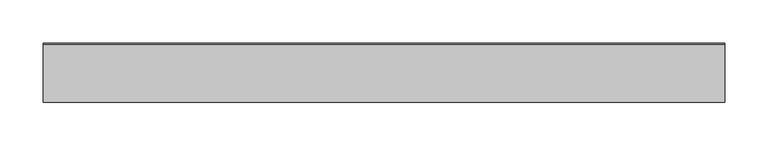
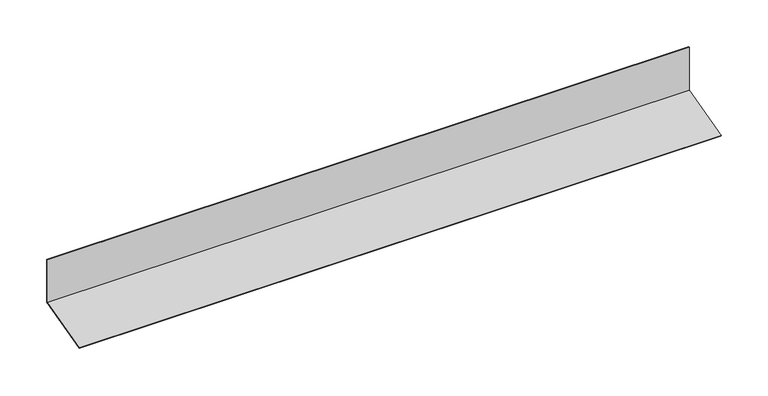
"""IFC4 building model written with IfcOpenShell, lengths in millimetres: proxy geometry."""

from ifc_helpers import new_model, si_unit, frame, origin, place, context, project, spatial, polyline, outline, extrude, source, transform, mapped, element, save


def generic_models_fb9af2e2(model_context):
    return source(origin(), model_context, "Body", "SweptSolid", [
        extrude(outline(polyline([(-10132.2979315, 1774.4460745), (-10132.2979315, 1830.0913228), (-10131.2979315, 1830.0913228), (-10131.2979315, 1773.6787475), (-10199.553268, 1755.3897852), (-10199.812087, 1756.355711), (-10132.2979315, 1774.4460745)])), frame((-7991.5972114, 0.0, 0.0), z_axis=(1.0, 0.0, 0.0), x_axis=(0.0, 1.0, 0.0)), (0.0, 0.0, 1.0), 788.5869667),
    ])


if __name__ == "__main__":
    model = new_model("IFC4")
    model_context = context("Model", 3, world=origin())
    ifc_project = project(units=[si_unit("LENGTHUNIT", "METRE", prefix="MILLI")], contexts=[model_context])
    site = spatial("IfcSite", under=ifc_project)
    building = spatial("IfcBuilding", under=site)
    placement = place(None, origin())
    generic_models_shape = generic_models_fb9af2e2(model_context)
    element("IfcBuildingElementProxy", 1, Name="Generic Models", at=placement, inside=building, context=model_context, shape_type="MappedRepresentation", body=[
        mapped(generic_models_shape, transform((0.0, 0.0, 0.0), x_axis=(1.0, 0.0, 0.0), y_axis=(0.0, 1.0, 0.0), z_axis=(0.0, 0.0, 1.0))),
    ])
    save(model, "model.ifc")
